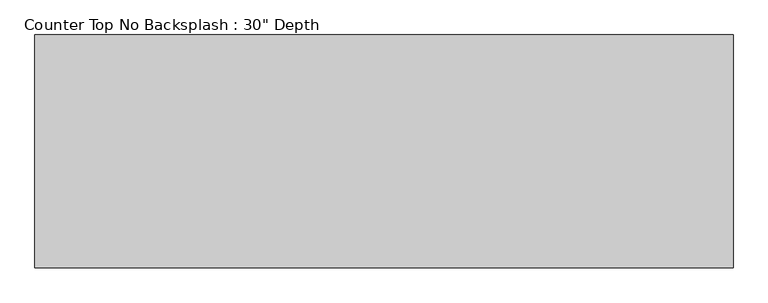
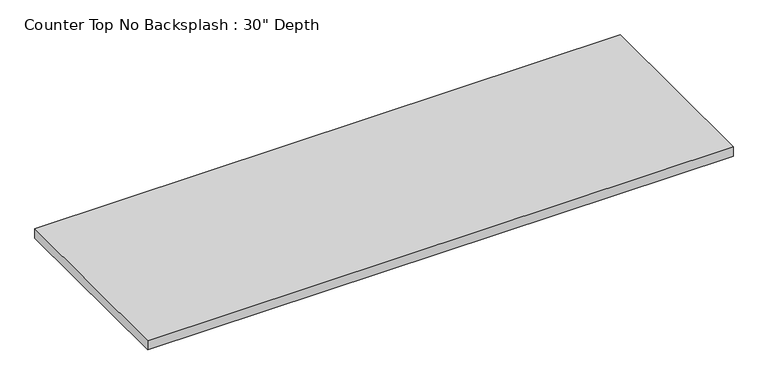
"""IFC4 building model written with IfcOpenShell, lengths in millimetres: furniture geometry."""

from ifc_helpers import new_model, si_unit, frame, origin, place, context, project, spatial, polyline, outline, extrude, source, transform, mapped, element, save


def furniture_e3e4986f(model_context):
    return source(origin(), model_context, "Body", "SweptSolid", [
        extrude(outline(polyline([(1085.5377049, 0.0), (1085.5377049, -762.0), (-1200.4622951, -762.0), (-1200.4622951, 0.0), (1085.5377049, 0.0)])), frame((0.0, 0.0, 876.3), z_axis=(0.0, 0.0, 1.0), x_axis=(1.0, 0.0, 0.0)), (0.0, 0.0, 1.0), 38.1),
    ])


if __name__ == "__main__":
    model = new_model("IFC4")
    model_context = context("Model", 3, world=origin())
    ifc_project = project(units=[si_unit("LENGTHUNIT", "METRE", prefix="MILLI")], contexts=[model_context])
    site = spatial("IfcSite", under=ifc_project)
    building = spatial("IfcBuilding", under=site)
    placement = place(None, origin())
    furniture_shape = furniture_e3e4986f(model_context)
    element("IfcFurniture", 1, ObjectType="Counter Top No Backsplash : 30\" Depth", at=placement, inside=building, context=model_context, shape_type="MappedRepresentation", body=[
        mapped(furniture_shape, transform((0.0, 0.0, 0.0), x_axis=(1.0, 0.0, 0.0), y_axis=(0.0, 1.0, 0.0), z_axis=(0.0, 0.0, 1.0))),
    ])
    save(model, "model.ifc")
